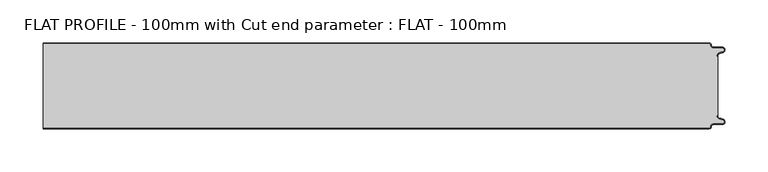
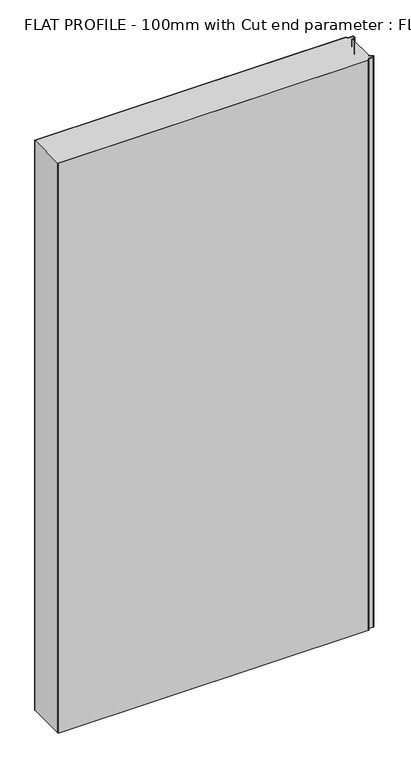
"""IFC4 building model written with IfcOpenShell, lengths in millimetres: proxy geometry, FLAT PROFILE - 100mm with Cut end parameter : FLAT - 100mm."""

from ifc_helpers import new_model, si_unit, point, frame_2d, origin, origin_with_axes, place, context, project, spatial, polyline, circle_curve, trimmed, segment, composite_curve, outline, extrude, source, transform, mapped, element, save


def flat_profile_100mm_with_cut_end_parameter_flat_100mm_1c7c1c4f(model_context):
    return source(origin(), model_context, "Body", "SweptSolid", [
        extrude(outline(composite_curve([segment(trimmed(circle_curve(frame_2d((596.9047345, 47.4926459)), 1.5073578), [point((596.902372, 49.0000019))], [point((598.4115951, 47.4539337))], False, "CARTESIAN"), True, "CONTINUOUS"), segment(trimmed(circle_curve(frame_2d((601.9112919, 47.5000019)), 3.5), [point((598.4115951, 47.4539337))], [point((601.9112919, 44.0000019))], True, "CARTESIAN"), True, "CONTINUOUS"), segment(polyline([(601.9112919, 44.0000019), (612.3116271, 44.0000019)]), True, "CONTINUOUS"), segment(trimmed(circle_curve(frame_2d((612.3116271, 41.9000019)), 2.1), [point((612.3116271, 44.0000019))], [point((613.0435993, 39.9316988))], False, "CARTESIAN"), True, "CONTINUOUS"), segment(polyline([(613.0435993, 39.9316988), (610.7828028, 39.1063001), (607.8546835, 37.9154156)]), True, "CONTINUOUS"), segment(trimmed(circle_curve(frame_2d((608.9399875, 35.2468953)), 2.8807786), [point((607.8546835, 37.9154156))], [point((606.0682599, 35.475074))], True, "CARTESIAN"), True, "CONTINUOUS"), segment(polyline([(606.0682599, 35.475074), (606.0107004, 34.2522232), (607.0118076, 34.2522232), (607.0118076, -34.2522195), (606.0107004, -34.2522195), (606.0682599, -35.4750703)]), True, "CONTINUOUS"), segment(trimmed(circle_curve(frame_2d((608.9399875, -35.2468916)), 2.8807786), [point((606.0682599, -35.4750703))], [point((607.8546835, -37.9154119))], True, "CARTESIAN"), True, "CONTINUOUS"), segment(polyline([(607.8546835, -37.9154119), (610.7828028, -39.1062964), (613.0435993, -39.9316951)]), True, "CONTINUOUS"), segment(trimmed(circle_curve(frame_2d((612.3116271, -41.8999981)), 2.1), [point((613.0435993, -39.9316951))], [point((612.3116271, -43.9999981))], False, "CARTESIAN"), True, "CONTINUOUS"), segment(polyline([(612.3116271, -43.9999981), (601.9112919, -43.9999981)]), True, "CONTINUOUS"), segment(trimmed(circle_curve(frame_2d((601.9112919, -47.4999981)), 3.5), [point((601.9112919, -43.9999981))], [point((598.4115951, -47.45393))], True, "CARTESIAN"), True, "CONTINUOUS"), segment(trimmed(circle_curve(frame_2d((596.9047345, -47.4926422)), 1.5073578), [point((598.4115951, -47.45393))], [point((596.902372, -48.9999981))], False, "CARTESIAN"), True, "CONTINUOUS"), segment(polyline([(596.902372, -48.9999981), (-176.5960296, -48.9999981), (-176.5960296, 49.0000019), (596.902372, 49.0000019)]), True, "CONTINUOUS")], self_intersect=False)), origin_with_axes(), (0.0, 0.0, 1.0), 1500.0),
        extrude(outline(composite_curve([segment(trimmed(circle_curve(frame_2d((596.9047345, 47.4926459)), 2.5073578), [point((596.9016875, 50.0000019))], [point((599.4117582, 47.4517176))], False, "CARTESIAN"), True, "CONTINUOUS"), segment(trimmed(circle_curve(frame_2d((601.9112919, 47.5000019)), 2.5), [point((599.4117582, 47.4517176))], [point((601.9112919, 45.0000019))], True, "CARTESIAN"), True, "CONTINUOUS"), segment(polyline([(601.9112919, 45.0000019), (612.3116271, 45.0000019)]), True, "CONTINUOUS"), segment(trimmed(circle_curve(frame_2d((612.3116271, 41.9000019)), 3.1), [point((612.3116271, 45.0000019))], [point((613.3890842, 38.9932707))], False, "CARTESIAN"), True, "CONTINUOUS"), segment(polyline([(613.3890842, 38.9932707), (611.1427659, 38.1731578), (608.2411829, 37.0549269)]), True, "CONTINUOUS"), segment(trimmed(circle_curve(frame_2d((609.0514567, 35.1592666)), 2.0615701), [point((608.2411829, 37.0549269))], [point((607.0118076, 35.4591051))], True, "CARTESIAN"), True, "CONTINUOUS"), segment(polyline([(607.0118076, 35.4591051), (607.0118076, 34.2522232), (606.0107004, 34.2522232), (606.0682599, 35.475074)]), True, "CONTINUOUS"), segment(trimmed(circle_curve(frame_2d((608.9399875, 35.2468953)), 2.8807786), [point((606.0682599, 35.475074))], [point((607.8546835, 37.9154156))], False, "CARTESIAN"), True, "CONTINUOUS"), segment(polyline([(607.8546835, 37.9154156), (610.7828028, 39.1063001), (613.0435993, 39.9316988)]), True, "CONTINUOUS"), segment(trimmed(circle_curve(frame_2d((612.3116271, 41.9000019)), 2.1), [point((613.0435993, 39.9316988))], [point((612.3116271, 44.0000019))], True, "CARTESIAN"), True, "CONTINUOUS"), segment(polyline([(612.3116271, 44.0000019), (601.9112919, 44.0000019)]), True, "CONTINUOUS"), segment(trimmed(circle_curve(frame_2d((601.9112919, 47.5000019)), 3.5), [point((601.9112919, 44.0000019))], [point((598.4115951, 47.4539337))], False, "CARTESIAN"), True, "CONTINUOUS"), segment(trimmed(circle_curve(frame_2d((596.9047345, 47.4926459)), 1.5073578), [point((598.4115951, 47.4539337))], [point((596.902372, 49.0000019))], True, "CARTESIAN"), True, "CONTINUOUS"), segment(polyline([(596.902372, 49.0000019), (-176.5960296, 49.0000019), (-176.5960296, 50.0000019), (596.9016875, 50.0000019)]), True, "CONTINUOUS")], self_intersect=False)), origin_with_axes(), (0.0, 0.0, 1.0), 1500.0),
        extrude(outline(composite_curve([segment(trimmed(circle_curve(frame_2d((596.9047345, -47.4926422)), 1.5073578), [point((596.902372, -48.9999981))], [point((598.4115951, -47.45393))], True, "CARTESIAN"), True, "CONTINUOUS"), segment(trimmed(circle_curve(frame_2d((601.9112919, -47.4999981)), 3.5), [point((598.4115951, -47.45393))], [point((601.9112919, -43.9999981))], False, "CARTESIAN"), True, "CONTINUOUS"), segment(polyline([(601.9112919, -43.9999981), (612.3116271, -43.9999981)]), True, "CONTINUOUS"), segment(trimmed(circle_curve(frame_2d((612.3116271, -41.8999981)), 2.1), [point((612.3116271, -43.9999981))], [point((613.0435993, -39.9316951))], True, "CARTESIAN"), True, "CONTINUOUS"), segment(polyline([(613.0435993, -39.9316951), (610.7828028, -39.1062964), (607.8546835, -37.9154119)]), True, "CONTINUOUS"), segment(trimmed(circle_curve(frame_2d((608.9399875, -35.2468916)), 2.8807786), [point((607.8546835, -37.9154119))], [point((606.0682599, -35.4750703))], False, "CARTESIAN"), True, "CONTINUOUS"), segment(polyline([(606.0682599, -35.4750703), (606.0107004, -34.2522195), (607.0118076, -34.2522195), (607.0118076, -35.4591014)]), True, "CONTINUOUS"), segment(trimmed(circle_curve(frame_2d((609.0514567, -35.1592629)), 2.0615701), [point((607.0118076, -35.4591014))], [point((608.2411829, -37.0549231))], True, "CARTESIAN"), True, "CONTINUOUS"), segment(polyline([(608.2411829, -37.0549231), (611.1427659, -38.1731541), (613.3890842, -38.993267)]), True, "CONTINUOUS"), segment(trimmed(circle_curve(frame_2d((612.3116271, -41.8999981)), 3.1), [point((613.3890842, -38.993267))], [point((612.3116271, -44.9999981))], False, "CARTESIAN"), True, "CONTINUOUS"), segment(polyline([(612.3116271, -44.9999981), (601.9112919, -44.9999981)]), True, "CONTINUOUS"), segment(trimmed(circle_curve(frame_2d((601.9112919, -47.4999981)), 2.5), [point((601.9112919, -44.9999981))], [point((599.4117582, -47.4517139))], True, "CARTESIAN"), True, "CONTINUOUS"), segment(trimmed(circle_curve(frame_2d((596.9047345, -47.4926422)), 2.5073578), [point((599.4117582, -47.4517139))], [point((596.9016875, -49.9999981))], False, "CARTESIAN"), True, "CONTINUOUS"), segment(polyline([(596.9016875, -49.9999981), (-176.5960296, -49.9999981), (-176.5960296, -48.9999981), (596.902372, -48.9999981)]), True, "CONTINUOUS")], self_intersect=False)), origin_with_axes(), (0.0, 0.0, 1.0), 1500.0),
    ])


if __name__ == "__main__":
    model = new_model("IFC4")
    model_context = context("Model", 3, world=origin())
    ifc_project = project(units=[si_unit("LENGTHUNIT", "METRE", prefix="MILLI")], contexts=[model_context])
    site = spatial("IfcSite", under=ifc_project)
    building = spatial("IfcBuilding", under=site)
    placement = place(None, origin())
    flat_profile_100mm_with_cut_end_parameter_flat_100mm_shape = flat_profile_100mm_with_cut_end_parameter_flat_100mm_1c7c1c4f(model_context)
    element("IfcBuildingElementProxy", 1, Name="FLAT PROFILE - 100mm with Cut end parameter : FLAT - 100mm", ObjectType="FLAT PROFILE - 100mm with Cut end parameter : FLAT - 100mm", at=placement, inside=building, context=model_context, shape_type="MappedRepresentation", body=[
        mapped(flat_profile_100mm_with_cut_end_parameter_flat_100mm_shape, transform((0.0, 0.0, 0.0), x_axis=(1.0, 0.0, 0.0), y_axis=(0.0, 1.0, 0.0), z_axis=(0.0, 0.0, 1.0))),
    ])
    save(model, "model.ifc")
